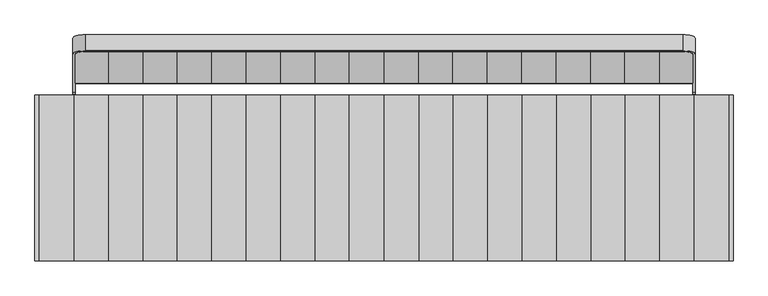
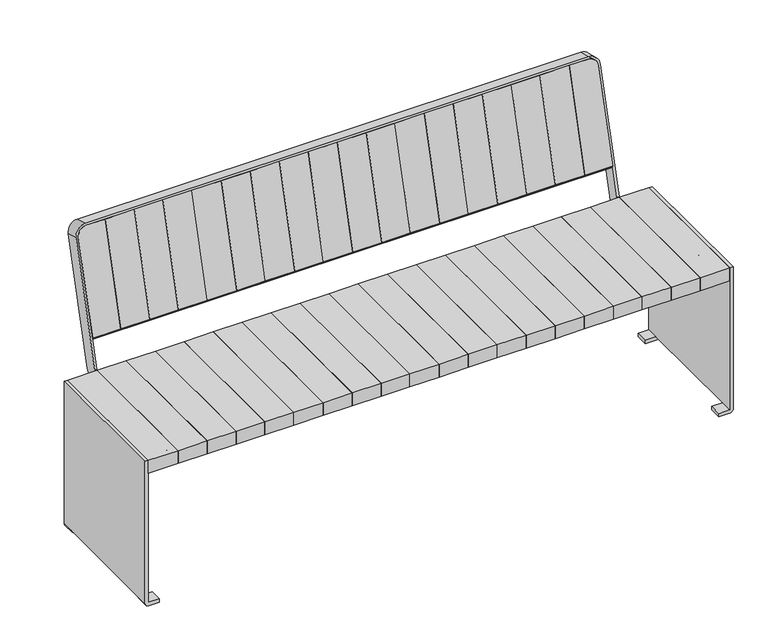
"""IFC4 building model written with IfcOpenShell, lengths in millimetres: furniture geometry."""

from ifc_helpers import new_model, si_unit, point, frame, frame_2d, origin, place, context, project, spatial, polyline, circle_curve, trimmed, segment, composite_curve, outline, extrude, source, transform, mapped, element, save
from ifc_brep_helpers import plane_surface, cylinder_surface, revolved_surface, advanced_brep


def furniture_0fb57e3a(model_context):
    return source(origin(), model_context, "Body", "SolidModel", [
        extrude(outline(polyline([(83.1700951, 200.0), (83.1700951, -200.0), (0.0, -200.0), (0.0, 200.0), (83.1700951, 200.0)])), frame((0.0, 0.0, 400.6382749), z_axis=(0.0, 0.0, 1.0), x_axis=(1.0, 0.0, 0.0)), (0.0, 0.0, 1.0), 39.120575),
        extrude(outline(polyline([(165.5884938, 200.0), (165.5884938, -200.0), (83.1700951, -200.0), (83.1700951, 200.0), (165.5884938, 200.0)])), frame((0.0, 0.0, 400.6382749), z_axis=(0.0, 0.0, 1.0), x_axis=(1.0, 0.0, 0.0)), (0.0, 0.0, 1.0), 39.120575),
        extrude(outline(polyline([(249.0266735, 200.0), (249.0266735, -200.0), (165.5884938, -200.0), (165.5884938, 200.0), (249.0266735, 200.0)])), frame((0.0, 0.0, 400.6382749), z_axis=(0.0, 0.0, 1.0), x_axis=(1.0, 0.0, 0.0)), (0.0, 0.0, 1.0), 39.120575),
        extrude(outline(polyline([(331.8102592, 200.0), (331.8102592, -200.0), (249.0266735, -200.0), (249.0266735, 200.0), (331.8102592, 200.0)])), frame((0.0, 0.0, 400.6382749), z_axis=(0.0, 0.0, 1.0), x_axis=(1.0, 0.0, 0.0)), (0.0, 0.0, 1.0), 39.120575),
        extrude(outline(polyline([(415.2051572, 200.0), (415.2051572, -200.0), (331.8102592, -200.0), (331.8102592, 200.0), (415.2051572, 200.0)])), frame((0.0, 0.0, 400.6382749), z_axis=(0.0, 0.0, 1.0), x_axis=(1.0, 0.0, 0.0)), (0.0, 0.0, 1.0), 39.120575),
        extrude(outline(polyline([(498.7851293, 200.0), (498.7851293, -200.0), (415.2051572, -200.0), (415.2051572, 200.0), (498.7851293, 200.0)])), frame((0.0, 0.0, 400.6382749), z_axis=(0.0, 0.0, 1.0), x_axis=(1.0, 0.0, 0.0)), (0.0, 0.0, 1.0), 39.120575),
        extrude(outline(polyline([(580.2051572, 200.0), (580.2051572, -200.0), (498.7851293, -200.0), (498.7851293, 200.0), (580.2051572, 200.0)])), frame((0.0, 0.0, 400.6382749), z_axis=(0.0, 0.0, 1.0), x_axis=(1.0, 0.0, 0.0)), (0.0, 0.0, 1.0), 39.120575),
        extrude(outline(polyline([(663.7851293, 200.0), (663.7851293, -200.0), (580.2051572, -200.0), (580.2051572, 200.0), (663.7851293, 200.0)])), frame((0.0, 0.0, 400.6382749), z_axis=(0.0, 0.0, 1.0), x_axis=(1.0, 0.0, 0.0)), (0.0, 0.0, 1.0), 39.120575),
        extrude(outline(polyline([(746.8041619, 200.0), (746.8041619, -200.0), (663.7851293, -200.0), (663.7851293, 200.0), (746.8041619, 200.0)])), frame((0.0, 0.0, 400.6382749), z_axis=(0.0, 0.0, 1.0), x_axis=(1.0, 0.0, 0.0)), (0.0, 0.0, 1.0), 39.120575),
        extrude(outline(polyline([(831.379425, 200.0), (831.379425, -200.0), (746.8041619, -200.0), (746.8041619, 200.0), (831.379425, 200.0)])), frame((0.0, 0.0, 400.6382749), z_axis=(0.0, 0.0, 1.0), x_axis=(1.0, 0.0, 0.0)), (0.0, 0.0, 1.0), 39.120575),
        extrude(outline(polyline([(-83.1700951, 200.0), (0.0, 200.0), (0.0, -200.0), (-83.1700951, -200.0), (-83.1700951, 200.0)])), frame((0.0, 0.0, 400.6382749), z_axis=(0.0, 0.0, 1.0), x_axis=(1.0, 0.0, 0.0)), (0.0, 0.0, 1.0), 39.120575),
        extrude(outline(polyline([(-165.5884938, 200.0), (-83.1700951, 200.0), (-83.1700951, -200.0), (-165.5884938, -200.0), (-165.5884938, 200.0)])), frame((0.0, 0.0, 400.6382749), z_axis=(0.0, 0.0, 1.0), x_axis=(1.0, 0.0, 0.0)), (0.0, 0.0, 1.0), 39.120575),
        extrude(outline(polyline([(-249.0266735, 200.0), (-165.5884938, 200.0), (-165.5884938, -200.0), (-249.0266735, -200.0), (-249.0266735, 200.0)])), frame((0.0, 0.0, 400.6382749), z_axis=(0.0, 0.0, 1.0), x_axis=(1.0, 0.0, 0.0)), (0.0, 0.0, 1.0), 39.120575),
        extrude(outline(polyline([(-331.8102592, 200.0), (-249.0266735, 200.0), (-249.0266735, -200.0), (-331.8102592, -200.0), (-331.8102592, 200.0)])), frame((0.0, 0.0, 400.6382749), z_axis=(0.0, 0.0, 1.0), x_axis=(1.0, 0.0, 0.0)), (0.0, 0.0, 1.0), 39.120575),
        extrude(outline(polyline([(-415.2051572, 200.0), (-331.8102592, 200.0), (-331.8102592, -200.0), (-415.2051572, -200.0), (-415.2051572, 200.0)])), frame((0.0, 0.0, 400.6382749), z_axis=(0.0, 0.0, 1.0), x_axis=(1.0, 0.0, 0.0)), (0.0, 0.0, 1.0), 39.120575),
        extrude(outline(polyline([(-498.7851293, 200.0), (-415.2051572, 200.0), (-415.2051572, -200.0), (-498.7851293, -200.0), (-498.7851293, 200.0)])), frame((0.0, 0.0, 400.6382749), z_axis=(0.0, 0.0, 1.0), x_axis=(1.0, 0.0, 0.0)), (0.0, 0.0, 1.0), 39.120575),
        extrude(outline(polyline([(-580.2051572, 200.0), (-498.7851293, 200.0), (-498.7851293, -200.0), (-580.2051572, -200.0), (-580.2051572, 200.0)])), frame((0.0, 0.0, 400.6382749), z_axis=(0.0, 0.0, 1.0), x_axis=(1.0, 0.0, 0.0)), (0.0, 0.0, 1.0), 39.120575),
        extrude(outline(polyline([(-663.7851293, 200.0), (-580.2051572, 200.0), (-580.2051572, -200.0), (-663.7851293, -200.0), (-663.7851293, 200.0)])), frame((0.0, 0.0, 400.6382749), z_axis=(0.0, 0.0, 1.0), x_axis=(1.0, 0.0, 0.0)), (0.0, 0.0, 1.0), 39.120575),
        extrude(outline(polyline([(-746.8041619, 200.0), (-663.7851293, 200.0), (-663.7851293, -200.0), (-746.8041619, -200.0), (-746.8041619, 200.0)])), frame((0.0, 0.0, 400.6382749), z_axis=(0.0, 0.0, 1.0), x_axis=(1.0, 0.0, 0.0)), (0.0, 0.0, 1.0), 39.120575),
        extrude(outline(polyline([(-831.379425, 200.0), (-746.8041619, 200.0), (-746.8041619, -200.0), (-831.379425, -200.0), (-831.379425, 200.0)])), frame((0.0, 0.0, 400.6382749), z_axis=(0.0, 0.0, 1.0), x_axis=(1.0, 0.0, 0.0)), (0.0, 0.0, 1.0), 39.120575),
        extrude(outline(polyline([(0.0, -83.5799721), (0.0, 0.0), (39.1205751, 0.0), (39.1205751, -83.5799721), (0.0, -83.5799721)])), frame((580.2051572, 228.7525296, 518.4817281), z_axis=(0.0, 0.2588190451025214, 0.9659258262890681), x_axis=(0.0, 0.9659258262890681, -0.2588190451025214)), (0.0, 0.0, 1.0), 296.0),
        extrude(outline(polyline([(0.0, -81.4200279), (0.0, 0.0), (39.1205751, 0.0), (39.1205751, -81.4200279), (0.0, -81.4200279)])), frame((498.7851293, 228.7525296, 518.4817281), z_axis=(0.0, 0.2588190451025194, 0.9659258262890688), x_axis=(0.0, 0.9659258262890688, -0.2588190451025194)), (0.0, 0.0, 1.0), 296.0),
        extrude(outline(polyline([(0.0, -83.5799721), (0.0, 0.0), (39.1205751, 0.0), (39.1205751, -83.5799721), (0.0, -83.5799721)])), frame((415.2051572, 228.7525296, 518.4817281), z_axis=(0.0, 0.25881904510252124, 0.9659258262890682), x_axis=(0.0, 0.9659258262890682, -0.25881904510252124)), (0.0, 0.0, 1.0), 296.0),
        extrude(outline(polyline([(0.0, -83.394898), (0.0, 0.0), (39.1205751, 0.0), (39.1205751, -83.394898), (0.0, -83.394898)])), frame((331.8102592, 228.7525296, 518.4817281), z_axis=(0.0, 0.25881904510252124, 0.9659258262890682), x_axis=(0.0, 0.9659258262890682, -0.25881904510252124)), (0.0, 0.0, 1.0), 296.0),
        extrude(outline(polyline([(0.0, -82.7835857), (0.0, 0.0), (39.1205751, 0.0), (39.1205751, -82.7835857), (0.0, -82.7835857)])), frame((249.0266735, 228.7525296, 518.4817281), z_axis=(0.0, 0.25881904510252124, 0.9659258262890682), x_axis=(0.0, 0.9659258262890682, -0.25881904510252124)), (0.0, 0.0, 1.0), 296.0),
        extrude(outline(polyline([(0.0, -83.4381797), (0.0, 0.0), (39.1205751, 0.0), (39.1205751, -83.4381797), (0.0, -83.4381797)])), frame((165.5884938, 228.7525296, 518.4817281), z_axis=(0.0, 0.25881904510252124, 0.9659258262890682), x_axis=(0.0, 0.9659258262890682, -0.25881904510252124)), (0.0, 0.0, 1.0), 296.0),
        extrude(outline(polyline([(0.0, -82.4183987), (0.0, 0.0), (39.1205751, 0.0), (39.1205751, -82.4183987), (0.0, -82.4183987)])), frame((83.1700951, 228.7525296, 518.4817281), z_axis=(0.0, 0.25881904510252124, 0.9659258262890682), x_axis=(0.0, 0.9659258262890682, -0.25881904510252124)), (0.0, 0.0, 1.0), 296.0),
        extrude(outline(polyline([(0.0, -83.1700951), (0.0, 0.0), (39.1205751, 0.0), (39.1205751, -83.1700951), (0.0, -83.1700951)])), frame((0.0, 228.7525296, 518.4817281), z_axis=(0.0, 0.25881904510252124, 0.9659258262890682), x_axis=(0.0, 0.9659258262890682, -0.25881904510252124)), (0.0, 0.0, 1.0), 296.0),
        extrude(outline(polyline([(0.0, -83.1700951), (0.0, 0.0), (39.1205751, 0.0), (39.1205751, -83.1700951), (0.0, -83.1700951)])), frame((-83.1700951, 228.7525296, 518.4817281), z_axis=(0.0, 0.2588190451025214, 0.9659258262890681), x_axis=(0.0, 0.9659258262890681, -0.2588190451025214)), (0.0, 0.0, 1.0), 296.0),
        extrude(outline(polyline([(0.0, -82.4183987), (0.0, 0.0), (39.1205751, 0.0), (39.1205751, -82.4183987), (0.0, -82.4183987)])), frame((-165.5884938, 228.7525296, 518.4817281), z_axis=(0.0, 0.2588190451025214, 0.9659258262890681), x_axis=(0.0, 0.9659258262890681, -0.2588190451025214)), (0.0, 0.0, 1.0), 296.0),
        extrude(outline(polyline([(0.0, -83.4381797), (0.0, 0.0), (39.1205751, 0.0), (39.1205751, -83.4381797), (0.0, -83.4381797)])), frame((-249.0266735, 228.7525296, 518.4817281), z_axis=(0.0, 0.2588190451025214, 0.9659258262890681), x_axis=(0.0, 0.9659258262890681, -0.2588190451025214)), (0.0, 0.0, 1.0), 296.0),
        extrude(outline(polyline([(0.0, -82.7835857), (0.0, 0.0), (39.1205751, 0.0), (39.1205751, -82.7835857), (0.0, -82.7835857)])), frame((-331.8102592, 228.7525296, 518.4817281), z_axis=(0.0, 0.2588190451025214, 0.9659258262890681), x_axis=(0.0, 0.9659258262890681, -0.2588190451025214)), (0.0, 0.0, 1.0), 296.0),
        extrude(outline(polyline([(0.0, -83.394898), (0.0, 0.0), (39.1205751, 0.0), (39.1205751, -83.394898), (0.0, -83.394898)])), frame((-415.2051572, 228.7525296, 518.4817281), z_axis=(0.0, 0.25881904510252124, 0.9659258262890682), x_axis=(0.0, 0.9659258262890682, -0.25881904510252124)), (0.0, 0.0, 1.0), 296.0),
        extrude(outline(polyline([(0.0, -83.5799721), (0.0, 0.0), (39.1205751, 0.0), (39.1205751, -83.5799721), (0.0, -83.5799721)])), frame((-498.7851293, 228.7525296, 518.4817281), z_axis=(0.0, 0.2588190451025214, 0.9659258262890681), x_axis=(0.0, 0.9659258262890681, -0.2588190451025214)), (0.0, 0.0, 1.0), 296.0),
        extrude(outline(polyline([(0.0, -81.4200279), (0.0, 0.0), (39.1205751, 0.0), (39.1205751, -81.4200279), (0.0, -81.4200279)])), frame((-580.2051572, 228.7525296, 518.4817281), z_axis=(0.0, 0.25881904510252124, 0.9659258262890682), x_axis=(0.0, 0.9659258262890682, -0.25881904510252124)), (0.0, 0.0, 1.0), 296.0),
        extrude(outline(polyline([(0.0, -83.5799721), (0.0, 0.0), (39.1205751, 0.0), (39.1205751, -83.5799721), (0.0, -83.5799721)])), frame((-663.7851293, 228.7525296, 518.4817281), z_axis=(0.0, 0.25881904510251963, 0.9659258262890686), x_axis=(0.0, 0.9659258262890686, -0.25881904510251963)), (0.0, 0.0, 1.0), 296.0),
        extrude(outline(composite_curve([segment(polyline([(-25.0, -24.9999999), (-25.0, 246.0), (55.2148, 246.0), (55.2148, -50.0), (0.0, -50.0)]), True, "CONTINUOUS"), segment(trimmed(circle_curve(frame_2d((0.0, -24.9999999)), 25.0), [point((0.0, -50.0))], [point((-25.0, -24.9999999))], False, "CARTESIAN"), True, "CONTINUOUS")], self_intersect=False)), frame((718.9999293, 330.2095885, 745.9743315), z_axis=(0.0, -0.9659258262890683, 0.2588190451025209), x_axis=(-1.0, 0.0, 0.0)), (0.0, 0.0, 1.0), 39.120575),
        extrude(outline(composite_curve([segment(trimmed(circle_curve(frame_2d((0.0, -25.0)), 25.0), [point((0.0, 0.0))], [point((25.0, -25.0))], False, "CARTESIAN"), True, "CONTINUOUS"), segment(polyline([(25.0, -25.0), (25.0, -80.2148), (-271.0, -80.2148), (-271.0, 0.0), (0.0, 0.0)]), True, "CONTINUOUS")], self_intersect=False)), frame((-743.9999293, 336.6800646, 770.1224771), z_axis=(0.0, -0.9659258262890682, 0.2588190451025209), x_axis=(0.0, 0.2588190451025209, 0.9659258262890682)), (0.0, 0.0, 1.0), 39.120575),
        extrude(outline(composite_curve([segment(polyline([(-20.0, 0.0), (0.0, 0.0)]), True, "CONTINUOUS"), segment(trimmed(circle_curve(frame_2d((0.0, -25.0)), 25.0), [point((0.0, 0.0))], [point((25.0, -25.0))], False, "CARTESIAN"), True, "CONTINUOUS"), segment(polyline([(25.0, -25.0), (25.0, -1462.9998586)]), True, "CONTINUOUS"), segment(trimmed(circle_curve(frame_2d((0.0, -1462.9998586)), 25.0), [point((25.0, -1462.9998586))], [point((0.0, -1487.9998586))], False, "CARTESIAN"), True, "CONTINUOUS"), segment(polyline([(0.0, -1487.9998586), (-20.0, -1487.9998586), (-20.0, 0.0)]), True, "CONTINUOUS")], self_intersect=False)), frame((-743.9999293, 337.5295239, 769.8948652), z_axis=(0.0, -0.9659258262890719, 0.25881904510250753), x_axis=(0.0, 0.25881904510250753, 0.9659258262890719)), (0.0, 0.0, 1.0), 3.0),
        advanced_brep(
        [(-743.9999293, 207.0117298, 437.3439587), (-743.9999293, 202.1821007, 433.6380539), (-743.9999293, -135.5529143, 433.6380539), (-743.9999293, -145.5529143, 423.6380539), (-743.9999293, -145.5529143, 411.6380539), (-743.9999293, -135.5529143, 401.6380539), (-743.9999293, 219.672234, 401.6380539), (-743.9999293, 243.8203796, 420.1675778), (-743.9999293, 337.5295239, 769.8948652), (-743.9999293, 298.8924908, 780.247627), (-749.9999293, 243.8203796, 420.1675778), (-749.9999293, 219.672234, 401.6380539), (-749.9999293, -135.5529143, 401.6380539), (-749.9999293, -145.5529143, 411.6380539), (-749.9999293, -145.5529143, 423.6380539), (-749.9999293, -135.5529143, 433.6380539), (-749.9999293, 202.1821007, 433.6380539), (-749.9999293, 207.0117298, 437.3439587), (-749.9999293, 299.1513099, 781.2135528), (-749.9999293, 337.7883429, 770.860791), (-718.9999293, 305.3629669, 804.3957727), (718.9999293, 305.3629669, 804.3957727), (743.9999293, 298.8924908, 780.247627), (743.9999293, 207.0117298, 437.3439587), (749.9999293, 207.0117298, 437.3439587), (749.9999293, 299.1513099, 781.2135528), (719.9999293, 306.9158812, 810.1913276), (-719.9999293, 306.9158812, 810.1913276), (-719.9999293, 345.5529143, 799.8385658), (719.9999293, 345.5529143, 799.8385658), (749.9999293, 337.7883429, 770.860791), (749.9999293, 243.8203796, 420.1675778), (743.9999293, 243.8203796, 420.1675778), (743.9999293, 337.5295239, 769.8948652), (718.9999293, 344.0, 794.0430109), (-718.9999293, 344.0, 794.0430109), (743.9999293, 219.672234, 401.6380539), (743.9999293, -135.5529143, 401.6380539), (743.9999293, -145.5529143, 411.6380539), (743.9999293, -145.5529143, 423.6380539), (743.9999293, -135.5529143, 433.6380539), (743.9999293, 202.1821007, 433.6380539), (749.9999293, 202.1821007, 433.6380539), (749.9999293, -135.5529143, 433.6380539), (749.9999293, -145.5529143, 423.6380539), (749.9999293, -145.5529143, 411.6380539), (749.9999293, -135.5529143, 401.6380539), (749.9999293, 219.672234, 401.6380539)],
        [
            (0, 1, circle_curve(frame((-743.9999293, 202.1821007, 438.6380539), z_axis=(-1.0, 0.0, 0.0), x_axis=(0.0, 0.0, -1.0)), 5.0)),
            (1, 2),
            (2, 3, circle_curve(frame((-743.9999293, -135.5529143, 423.6380539), z_axis=(1.0, 0.0, 0.0), x_axis=(0.0, -1.0, 0.0)), 10.0)),
            (3, 4),
            (4, 5, circle_curve(frame((-743.9999293, -135.5529143, 411.6380539), z_axis=(1.0, 0.0, 0.0), x_axis=(0.0, -1.0, 0.0)), 10.0)),
            (5, 6),
            (6, 7, circle_curve(frame((-743.9999293, 219.672234, 426.6380539), z_axis=(1.0, 0.0, 0.0), x_axis=(0.0, 0.0, -1.0)), 25.0)),
            (7, 8),
            (8, 9),
            (9, 0),
            (10, 11, circle_curve(frame((-749.9999293, 219.672234, 426.6380539), z_axis=(-1.0, 0.0, 0.0), x_axis=(0.0, 0.0, -1.0)), 25.0)),
            (11, 12),
            (12, 13, circle_curve(frame((-749.9999293, -135.5529143, 411.6380539), z_axis=(-1.0, 0.0, 0.0), x_axis=(0.0, -1.0, 0.0)), 10.0)),
            (13, 14),
            (14, 15, circle_curve(frame((-749.9999293, -135.5529143, 423.6380539), z_axis=(-1.0, 0.0, 0.0), x_axis=(0.0, -1.0, 0.0)), 10.0)),
            (15, 16),
            (16, 17, circle_curve(frame((-749.9999293, 202.1821007, 438.6380539), z_axis=(1.0, 0.0, 0.0), x_axis=(0.0, 0.0, -1.0)), 5.0)),
            (17, 18),
            (18, 19),
            (19, 10),
            (17, 0),
            (9, 20, circle_curve(frame((-718.9999293, 298.8924908, 780.247627), z_axis=(0.0, 0.9659258262890719, -0.25881904510250753), x_axis=(0.0, -0.25881904510250753, -0.9659258262890719)), 25.0)),
            (20, 21),
            (21, 22, circle_curve(frame((718.9999293, 298.8924908, 780.247627), z_axis=(0.0, 0.9659258262890719, -0.25881904510250753), x_axis=(0.0, -0.25881904510250753, -0.9659258262890719)), 25.0)),
            (22, 23),
            (23, 24),
            (24, 25),
            (25, 26, circle_curve(frame((719.9999293, 299.1513099, 781.2135528), z_axis=(0.0, -0.9659258262890719, 0.25881904510250753), x_axis=(0.0, -0.25881904510250753, -0.9659258262890719)), 30.0)),
            (26, 27),
            (27, 18, circle_curve(frame((-719.9999293, 299.1513099, 781.2135528), z_axis=(0.0, -0.9659258262890719, 0.25881904510250753), x_axis=(0.0, -0.25881904510250753, -0.9659258262890719)), 30.0)),
            (16, 1),
            (6, 11),
            (10, 7),
            (19, 28, circle_curve(frame((-719.9999293, 337.7883429, 770.860791), z_axis=(0.0, 0.9659258262890719, -0.25881904510250753), x_axis=(0.0, -0.25881904510250753, -0.9659258262890719)), 30.0)),
            (28, 29),
            (29, 30, circle_curve(frame((719.9999293, 337.7883429, 770.860791), z_axis=(0.0, 0.9659258262890719, -0.25881904510250753), x_axis=(0.0, -0.25881904510250753, -0.9659258262890719)), 30.0)),
            (30, 31),
            (31, 32),
            (32, 33),
            (33, 34, circle_curve(frame((718.9999293, 337.5295239, 769.8948652), z_axis=(0.0, -0.9659258262890719, 0.25881904510250753), x_axis=(0.0, -0.25881904510250753, -0.9659258262890719)), 25.0)),
            (34, 35),
            (35, 8, circle_curve(frame((-718.9999293, 337.5295239, 769.8948652), z_axis=(0.0, -0.9659258262890719, 0.25881904510250753), x_axis=(0.0, -0.25881904510250753, -0.9659258262890719)), 25.0)),
            (15, 2),
            (14, 3),
            (13, 4),
            (12, 5),
            (27, 28),
            (26, 29),
            (20, 35),
            (34, 21),
            (25, 30),
            (33, 22),
            (32, 36, circle_curve(frame((743.9999293, 219.672234, 426.6380539), z_axis=(-1.0, 0.0, 0.0), x_axis=(0.0, 0.0, -1.0)), 25.0)),
            (36, 37),
            (37, 38, circle_curve(frame((743.9999293, -135.5529143, 411.6380539), z_axis=(-1.0, 0.0, 0.0), x_axis=(0.0, -1.0, 0.0)), 10.0)),
            (38, 39),
            (39, 40, circle_curve(frame((743.9999293, -135.5529143, 423.6380539), z_axis=(-1.0, 0.0, 0.0), x_axis=(0.0, -1.0, 0.0)), 10.0)),
            (40, 41),
            (41, 23, circle_curve(frame((743.9999293, 202.1821007, 438.6380539), z_axis=(1.0, 0.0, 0.0), x_axis=(0.0, 0.0, -1.0)), 5.0)),
            (24, 42, circle_curve(frame((749.9999293, 202.1821007, 438.6380539), z_axis=(-1.0, 0.0, 0.0), x_axis=(0.0, 0.0, -1.0)), 5.0)),
            (42, 43),
            (43, 44, circle_curve(frame((749.9999293, -135.5529143, 423.6380539), z_axis=(1.0, 0.0, 0.0), x_axis=(0.0, -1.0, 0.0)), 10.0)),
            (44, 45),
            (45, 46, circle_curve(frame((749.9999293, -135.5529143, 411.6380539), z_axis=(1.0, 0.0, 0.0), x_axis=(0.0, -1.0, 0.0)), 10.0)),
            (46, 47),
            (47, 31, circle_curve(frame((749.9999293, 219.672234, 426.6380539), z_axis=(1.0, 0.0, 0.0), x_axis=(0.0, 0.0, -1.0)), 25.0)),
            (41, 42),
            (47, 36),
            (40, 43),
            (39, 44),
            (38, 45),
            (37, 46),
        ],
        [
            plane_surface(frame((-743.9999293, 286.7279957, 734.8491132), z_axis=(1.0, 0.0, 0.0), x_axis=(0.0, -0.25881904510249437, -0.9659258262890754))),
            plane_surface(frame((-749.9999293, 286.7279957, 734.8491132), z_axis=(-1.0, 0.0, 0.0), x_axis=(0.0, 0.25881904510249437, 0.9659258262890754))),
            plane_surface(frame((-743.9999293, 286.7279957, 734.8491132), z_axis=(0.0, -0.9659258262890754, 0.25881904510249437), x_axis=(-1.0, 0.0, 0.0))),
            revolved_surface(polyline([(-749.9999293, 202.1821007, 433.6380539), (-743.9999293, 202.1821007, 433.6380539)]), (-749.9999293, 202.1821007, 438.6380539), (-1.0, 0.0, 0.0)),
            cylinder_surface(frame((-749.9999293, 219.672234, 426.6380539), z_axis=(1.0, 0.0, 0.0), x_axis=(0.0, 0.0, -1.0)), 25.0),
            plane_surface(frame((-743.9999293, 243.8203796, 420.1675778), z_axis=(0.0, 0.9659258262890719, -0.2588190451025076), x_axis=(-1.0, 0.0, 0.0))),
            plane_surface(frame((-743.9999293, 202.1821007, 433.6380539), z_axis=(0.0, 0.0, 1.0), x_axis=(-1.0, 0.0, 0.0))),
            cylinder_surface(frame((-749.9999293, -135.5529143, 423.6380539), z_axis=(1.0, 0.0, 0.0), x_axis=(0.0, -1.0, 0.0)), 10.0),
            plane_surface(frame((-743.9999293, -145.5529143, 423.6380539), z_axis=(0.0, -1.0, 0.0), x_axis=(-1.0, 0.0, 0.0))),
            cylinder_surface(frame((-749.9999293, -135.5529143, 411.6380539), z_axis=(1.0, 0.0, 0.0), x_axis=(0.0, -1.0, 0.0)), 10.0),
            plane_surface(frame((-743.9999293, -135.5529143, 401.6380539), z_axis=(0.0, 0.0, -1.0), x_axis=(-1.0, 0.0, 0.0))),
            cylinder_surface(frame((-719.9999293, 299.1513099, 781.2135528), z_axis=(0.0, 0.9659258262890719, -0.25881904510250753), x_axis=(0.0, -0.25881904510250753, -0.9659258262890719)), 30.0),
            plane_surface(frame((-719.9999293, 345.5529143, 799.8385658), z_axis=(0.0, 0.25881904510250764, 0.9659258262890719), x_axis=(0.0, -0.9659258262890719, 0.25881904510250764))),
            plane_surface(frame((0.0, 344.0, 794.0430109), z_axis=(0.0, -0.2588190451025072, -0.965925826289072), x_axis=(0.0, -0.965925826289072, 0.2588190451025072))),
            revolved_surface(polyline([(-718.9999293, 292.4220146360277, 756.0994813525291), (-718.9999293, 331.0590477681676, 745.7467195268383)]), (-718.9999293, 298.8924908, 780.247627), (0.0, -0.9659258262890719, 0.25881904510250753)),
            cylinder_surface(frame((719.9999293, 299.1513099, 781.2135528), z_axis=(0.0, 0.9659258262890719, -0.25881904510250753), x_axis=(0.0, -0.25881904510250753, -0.9659258262890719)), 30.0),
            revolved_surface(polyline([(718.9999293, 292.4220146360277, 756.0994813525291), (718.9999293, 331.0590477681676, 745.7467195268383)]), (718.9999293, 298.8924908, 780.247627), (0.0, -0.9659258262890719, 0.25881904510250753)),
            plane_surface(frame((743.9999293, 325.3650288, 724.4963514), z_axis=(-1.0, 0.0, 0.0), x_axis=(0.0, -0.965925826289072, 0.2588190451025072))),
            plane_surface(frame((749.9999293, 337.7883429, 770.860791), z_axis=(1.0, 0.0, 0.0), x_axis=(0.0, -0.965925826289072, 0.2588190451025072))),
            revolved_surface(polyline([(749.9999293, 202.1821007, 433.6380539), (743.9999293, 202.1821007, 433.6380539)]), (749.9999293, 202.1821007, 438.6380539), (1.0, 0.0, 0.0)),
            cylinder_surface(frame((749.9999293, 219.672234, 426.6380539), z_axis=(-1.0, 0.0, 0.0), x_axis=(0.0, 0.0, -1.0)), 25.0),
            plane_surface(frame((743.9999293, -135.5529143, 433.6380539), z_axis=(0.0, 0.0, 1.0), x_axis=(1.0, 0.0, 0.0))),
            cylinder_surface(frame((749.9999293, -135.5529143, 423.6380539), z_axis=(-1.0, 0.0, 0.0), x_axis=(0.0, -1.0, 0.0)), 10.0),
            plane_surface(frame((743.9999293, -145.5529143, 411.6380539), z_axis=(0.0, -1.0, 0.0), x_axis=(1.0, 0.0, 0.0))),
            cylinder_surface(frame((749.9999293, -135.5529143, 411.6380539), z_axis=(-1.0, 0.0, 0.0), x_axis=(0.0, -1.0, 0.0)), 10.0),
            plane_surface(frame((743.9999293, 219.672234, 401.6380539), z_axis=(0.0, 0.0, -1.0), x_axis=(1.0, 0.0, 0.0))),
        ],
        [
            (0, [[1, 2, 3, 4, 5, 6, 7, 8, 9, 10]]),
            (1, [[11, 12, 13, 14, 15, 16, 17, 18, 19, 20]]),
            (2, [[21, -10, 22, 23, 24, 25, 26, 27, 28, 29, 30, -18]]),
            (3, [[-1, -21, -17, 31]]),
            (4, [[-7, 32, -11, 33]]),
            (5, [[-33, -20, 34, 35, 36, 37, 38, 39, 40, 41, 42, -8]]),
            (6, [[-2, -31, -16, 43]]),
            (7, [[-3, -43, -15, 44]]),
            (8, [[-4, -44, -14, 45]]),
            (9, [[-5, -45, -13, 46]]),
            (10, [[-6, -46, -12, -32]]),
            (11, [[-34, -19, -30, 47]]),
            (12, [[-47, -29, 48, -35]]),
            (13, [[49, -41, 50, -23]]),
            (14, [[-42, -49, -22, -9]]),
            (15, [[-36, -48, -28, 51]]),
            (16, [[-40, 52, -24, -50]]),
            (17, [[-39, 53, 54, 55, 56, 57, 58, 59, -25, -52]]),
            (18, [[-37, -51, -27, 60, 61, 62, 63, 64, 65, 66]]),
            (19, [[-59, 67, -60, -26]]),
            (20, [[-53, -38, -66, 68]]),
            (21, [[-58, 69, -61, -67]]),
            (22, [[-57, 70, -62, -69]]),
            (23, [[-56, 71, -63, -70]]),
            (24, [[-55, 72, -64, -71]]),
            (25, [[-54, -68, -65, -72]]),
        ],
    ),
        extrude(outline(composite_curve([segment(polyline([(262.7952755, 506.2541733), (227.9760725, 515.5839506), (228.7525296, 518.4817281), (263.5527745, 509.1570306)]), True, "CONTINUOUS"), segment(trimmed(circle_curve(frame_2d((263.8043817, 510.0960412)), 0.9721354), [point((263.5527745, 509.1570306))], [point((264.7433923, 509.8444341))], True, "CARTESIAN"), True, "CONTINUOUS"), segment(polyline([(264.7433923, 509.8444341), (275.3621851, 549.4743081), (278.2599625, 548.697851), (267.63609, 509.0490188)]), True, "CONTINUOUS"), segment(trimmed(circle_curve(frame_2d((263.8182599, 510.0720033)), 3.9525085), [point((267.63609, 509.0490188))], [point((262.7952755, 506.2541733))], False, "CARTESIAN"), True, "CONTINUOUS")], self_intersect=False)), frame((-743.9999293, 0.0, 0.0), z_axis=(1.0, 0.0, 0.0), x_axis=(0.0, 1.0, 0.0)), (0.0, 0.0, 1.0), 1488.0),
        advanced_brep(
        [(-438.9493478, 55.5135142, 364.1867082), (-438.9493478, 60.5135142, 364.1867082), (-473.9493478, 60.513034, 364.1867082), (-473.9493478, 55.5135142, 364.1867082), (438.9493478, 55.5135142, 364.1867082), (438.9493478, 60.5135142, 364.1867082), (473.9493478, 60.513034, 364.1867082), (473.9493478, 55.5135142, 364.1867082), (826.379425, 60.513034, 394.6382749), (826.379425, 61.513034, 395.6382749), (826.379425, 62.4997599, 395.6382749), (826.379425, 62.4997599, 400.6382749), (826.379425, 61.513034, 400.6382749), (826.379425, 55.513034, 394.6382749), (826.379425, 55.513034, 393.1147491), (826.379425, 60.513034, 393.1147491), (-826.379425, 55.513034, 394.6382749), (-826.379425, 61.513034, 400.6382749), (-826.379425, 62.4997599, 400.6382749), (-826.379425, 62.4997599, 395.6382749), (-826.379425, 61.513034, 395.6382749), (-826.379425, 60.513034, 394.6382749), (-826.379425, 60.513034, 393.1147491), (-826.379425, 55.513034, 393.1147491), (826.379425, 55.513034, 340.151549), (-826.379425, 55.513034, 340.151549), (-826.379425, 60.513034, 340.151549), (826.379425, 60.513034, 340.151549), (831.379425, 62.4997599, 400.6382749), (831.379425, 99.9997599, 400.6382749), (-831.379425, 99.9997599, 400.6382749), (-831.379425, 62.4997599, 400.6382749), (-826.379425, 99.9997599, 395.6382749), (826.379425, 99.9997599, 395.6382749), (-826.379425, 62.4997599, 393.1147491), (-826.379425, -55.513034, 393.1147491), (-826.379425, -55.513034, 340.151549), (-826.379425, -60.513034, 340.151549), (-826.379425, -60.513034, 393.1147491), (-826.379425, -62.4997599, 393.1147491), (-826.379425, -62.4997599, 395.6382749), (-826.379425, -99.9997599, 395.6382749), (-826.379425, -99.9997599, 347.7588499), (-826.379425, 100.0002401, 347.7588499), (-831.379425, 100.0002401, 347.7588499), (-831.379425, -99.9997599, 347.7588499), (-831.379425, -99.9997599, 400.6382749), (-831.379425, -62.4997599, 400.6382749), (-831.379425, -62.4997599, 393.1147491), (-831.379425, 62.4997599, 393.1147491), (831.379425, 100.0002401, 347.7588499), (826.379425, 100.0002401, 347.7588499), (826.379425, -99.9997599, 395.6382749), (826.379425, -99.9997599, 347.7588499), (831.379425, -99.9997599, 347.7588499), (831.379425, -99.9997599, 400.6382749), (-826.379425, -62.4997599, 400.6382749), (831.379425, -62.4997599, 400.6382749), (831.379425, -62.4997599, 393.1147491), (826.379425, -62.4997599, 393.1147491), (826.379425, -62.4997599, 395.6382749), (826.379425, -62.4997599, 400.6382749), (826.379425, -61.513034, 400.6382749), (-826.379425, -61.513034, 400.6382749), (-826.379425, -61.513034, 395.6382749), (826.379425, -61.513034, 395.6382749), (826.379425, -60.513034, 393.1147491), (826.379425, -60.513034, 340.151549), (826.379425, -55.513034, 340.151549), (826.379425, -55.513034, 393.1147491), (826.379425, 62.4997599, 393.1147491), (831.379425, 62.4997599, 393.1147491), (826.379425, -55.513034, 394.6382749), (826.379425, -60.513034, 394.6382749), (-826.379425, -60.513034, 394.6382749), (-826.379425, -55.513034, 394.6382749)],
        [
            (0, 1),
            (1, 2, circle_curve(frame((-456.4493478, 60.513034, 364.1867082), z_axis=(0.0, 1.0, 0.0), x_axis=(1.0, 0.0, 0.0)), 17.5)),
            (2, 3),
            (3, 0, circle_curve(frame((-456.4493478, 55.513034, 364.1867082), z_axis=(0.0, -1.0, 0.0), x_axis=(1.0, 0.0, 0.0)), 17.5)),
            (0, 3, circle_curve(frame((-456.4493478, 55.513034, 364.1867082), z_axis=(0.0, -1.0, 0.0), x_axis=(1.0, 0.0, 0.0)), 17.5)),
            (2, 1, circle_curve(frame((-456.4493478, 60.513034, 364.1867082), z_axis=(0.0, 1.0, 0.0), x_axis=(1.0, 0.0, 0.0)), 17.5)),
            (4, 5),
            (5, 6, circle_curve(frame((456.4493478, 60.513034, 364.1867082), z_axis=(0.0, 1.0, 0.0), x_axis=(-1.0, 0.0, 0.0)), 17.5)),
            (6, 7),
            (7, 4, circle_curve(frame((456.4493478, 55.513034, 364.1867082), z_axis=(0.0, -1.0, 0.0), x_axis=(-1.0, 0.0, 0.0)), 17.5)),
            (4, 7, circle_curve(frame((456.4493478, 55.513034, 364.1867082), z_axis=(0.0, -1.0, 0.0), x_axis=(-1.0, 0.0, 0.0)), 17.5)),
            (6, 5, circle_curve(frame((456.4493478, 60.513034, 364.1867082), z_axis=(0.0, 1.0, 0.0), x_axis=(-1.0, 0.0, 0.0)), 17.5)),
            (8, 9, circle_curve(frame((826.379425, 61.513034, 394.6382749), z_axis=(-1.0, 0.0, 0.0), x_axis=(0.0, 1.0, 0.0)), 1.0)),
            (9, 10),
            (10, 11),
            (11, 12),
            (12, 13, circle_curve(frame((826.379425, 61.513034, 394.6382749), z_axis=(1.0, 0.0, 0.0), x_axis=(0.0, 1.0, 0.0)), 6.0)),
            (13, 14),
            (14, 15),
            (15, 8),
            (16, 17, circle_curve(frame((-826.379425, 61.513034, 394.6382749), z_axis=(-1.0, 0.0, 0.0), x_axis=(0.0, 1.0, 0.0)), 6.0)),
            (17, 18),
            (18, 19),
            (19, 20),
            (20, 21, circle_curve(frame((-826.379425, 61.513034, 394.6382749), z_axis=(1.0, 0.0, 0.0), x_axis=(0.0, 1.0, 0.0)), 1.0)),
            (21, 22),
            (22, 23),
            (23, 16),
            (24, 25),
            (25, 26),
            (26, 27),
            (27, 24),
            (24, 14),
            (13, 16),
            (23, 25),
            (12, 17),
            (11, 28),
            (28, 29),
            (29, 30),
            (30, 31),
            (31, 18),
            (9, 20),
            (19, 32),
            (32, 33),
            (33, 10),
            (8, 21),
            (26, 22),
            (15, 27),
            (19, 34),
            (34, 22),
            (23, 35),
            (35, 36),
            (36, 37),
            (37, 38),
            (38, 39),
            (39, 40),
            (40, 41),
            (41, 42),
            (42, 43, circle_curve(frame((-826.379425, 0.0002401, 421.080061), z_axis=(1.0, 0.0, 0.0), x_axis=(0.0, -0.8064516129032312, -0.5913000896717141)), 124.0)),
            (43, 32),
            (44, 45, circle_curve(frame((-831.379425, 0.0002401, 421.080061), z_axis=(-1.0, 0.0, 0.0), x_axis=(0.0, -0.8064516129032312, -0.5913000896717141)), 124.0)),
            (45, 46),
            (46, 47),
            (47, 48),
            (48, 49),
            (49, 31),
            (30, 44),
            (43, 44),
            (29, 50),
            (50, 51),
            (51, 33),
            (34, 49),
            (48, 39),
            (38, 35),
            (45, 42),
            (41, 52),
            (52, 53),
            (53, 54),
            (54, 55),
            (55, 46),
            (47, 56),
            (56, 40),
            (57, 58),
            (58, 59),
            (59, 60),
            (60, 61),
            (61, 57),
            (55, 57),
            (61, 62),
            (62, 63),
            (63, 56),
            (40, 64),
            (64, 65),
            (65, 60),
            (60, 52),
            (59, 66),
            (66, 67),
            (67, 68),
            (68, 69),
            (69, 14),
            (15, 70),
            (70, 10),
            (51, 53, circle_curve(frame((826.379425, 0.0002401, 421.080061), z_axis=(-1.0, 0.0, 0.0), x_axis=(0.0, -0.8064516129032312, -0.5913000896717141)), 124.0)),
            (54, 50, circle_curve(frame((831.379425, 0.0002401, 421.080061), z_axis=(1.0, 0.0, 0.0), x_axis=(0.0, -0.8064516129032312, -0.5913000896717141)), 124.0)),
            (28, 71),
            (71, 58),
            (72, 62, circle_curve(frame((826.379425, -61.513034, 394.6382749), z_axis=(1.0, 0.0, 0.0), x_axis=(0.0, -1.0, 0.0)), 6.0)),
            (65, 73, circle_curve(frame((826.379425, -61.513034, 394.6382749), z_axis=(-1.0, 0.0, 0.0), x_axis=(0.0, -1.0, 0.0)), 1.0)),
            (73, 66),
            (66, 69),
            (69, 72),
            (74, 64, circle_curve(frame((-826.379425, -61.513034, 394.6382749), z_axis=(1.0, 0.0, 0.0), x_axis=(0.0, -1.0, 0.0)), 1.0)),
            (63, 75, circle_curve(frame((-826.379425, -61.513034, 394.6382749), z_axis=(-1.0, 0.0, 0.0), x_axis=(0.0, -1.0, 0.0)), 6.0)),
            (75, 35),
            (38, 74),
            (67, 37),
            (36, 68),
            (75, 72),
            (74, 73),
            (71, 70),
        ],
        [
            revolved_surface(polyline([(-438.9493478, 55.513034, 364.1867082), (-438.9493478, 60.5135142, 364.1867082)]), (-456.4493478, 60.5135142, 364.1867082), (0.0, -1.0, 0.0)),
            revolved_surface(polyline([(438.9493478, 55.513034, 364.1867082), (438.9493478, 60.5135142, 364.1867082)]), (456.4493478, 0.0, 364.1867082), (0.0, -1.0, 0.0)),
            plane_surface(frame((826.379425, 60.513034, 394.6382749), z_axis=(1.0, 0.0, 0.0), x_axis=(0.0, 0.0, 1.0))),
            plane_surface(frame((-826.379425, 60.513034, 394.6382749), z_axis=(-1.0, 0.0, 0.0), x_axis=(0.0, 0.0, -1.0))),
            plane_surface(frame((826.379425, 55.513034, 340.151549), z_axis=(0.0, 0.0, -1.0), x_axis=(-1.0, 0.0, 0.0))),
            plane_surface(frame((826.379425, 55.513034, 394.6382749), z_axis=(0.0, -1.0, 0.0), x_axis=(-1.0, 0.0, 0.0))),
            cylinder_surface(frame((-826.379425, 61.513034, 394.6382749), z_axis=(1.0, 0.0, 0.0), x_axis=(0.0, 1.0, 0.0)), 6.0),
            plane_surface(frame((826.379425, 62.4997599, 400.6382749), z_axis=(0.0, 0.0, 1.0), x_axis=(-1.0, 0.0, 0.0))),
            plane_surface(frame((826.379425, 61.513034, 395.6382749), z_axis=(0.0, 0.0, -1.0), x_axis=(-1.0, 0.0, 0.0))),
            revolved_surface(polyline([(-826.379425, 62.513034, 394.6382749), (826.379425, 62.513034, 394.6382749)]), (-826.379425, 61.513034, 394.6382749), (-1.0, 0.0, 0.0)),
            plane_surface(frame((826.379425, 60.513034, 340.151549), z_axis=(0.0, 1.0, 0.0), x_axis=(-1.0, 0.0, 0.0))),
            plane_surface(frame((-826.379425, 100.0002401, 347.7588499), z_axis=(1.0, 0.0, 0.0), x_axis=(0.0, 0.0, 1.0))),
            plane_surface(frame((-831.379425, 100.0002401, 347.7588499), z_axis=(-1.0, 0.0, 0.0), x_axis=(0.0, 0.0, -1.0))),
            plane_surface(frame((-826.379425, 100.0002401, 347.7588499), z_axis=(0.0, 1.0, 0.0), x_axis=(-1.0, 0.0, 0.0))),
            plane_surface(frame((-826.379425, 100.0002401, 393.1147491), z_axis=(0.0, 0.0, 1.0), x_axis=(-1.0, 0.0, 0.0))),
            plane_surface(frame((-826.379425, -99.9997599, 393.1147491), z_axis=(0.0, -1.0, 0.0), x_axis=(-1.0, 0.0, 0.0))),
            cylinder_surface(frame((-831.379425, 0.0002401, 421.080061), z_axis=(1.0000000000000002, 0.0, 0.0), x_axis=(0.0, -0.8064516129032312, -0.5913000896717141)), 124.0),
            plane_surface(frame((826.379425, -62.4997599, 393.1147491), z_axis=(0.0, 1.0, 0.0), x_axis=(0.0, 0.0, 1.0))),
            plane_surface(frame((831.379425, -99.9997599, 400.6382749), z_axis=(0.0, 0.0, 1.0), x_axis=(0.0, 1.0, 0.0))),
            plane_surface(frame((-826.379425, -99.9997599, 395.6382749), z_axis=(0.0, 0.0, -1.0), x_axis=(0.0, 1.0, 0.0))),
            plane_surface(frame((826.379425, -99.9997599, 395.6382749), z_axis=(-1.0, 0.0, 0.0), x_axis=(0.0, 1.0, 0.0))),
            plane_surface(frame((831.379425, -99.9997599, 393.1147491), z_axis=(1.0, 0.0, 0.0), x_axis=(0.0, 1.0, 0.0))),
            plane_surface(frame((826.379425, -60.513034, 340.151549), z_axis=(1.0, 0.0, 0.0), x_axis=(0.0, 1.0, 0.0))),
            plane_surface(frame((-826.379425, -60.513034, 340.151549), z_axis=(-1.0, 0.0, 0.0), x_axis=(0.0, -1.0, 0.0))),
            plane_surface(frame((826.379425, -60.513034, 340.151549), z_axis=(0.0, 0.0, -1.0), x_axis=(-1.0, 0.0, 0.0))),
            plane_surface(frame((826.379425, -55.513034, 340.151549), z_axis=(0.0, 1.0, 0.0), x_axis=(-1.0, 0.0, 0.0))),
            cylinder_surface(frame((-826.379425, -61.513034, 394.6382749), z_axis=(1.0, 0.0, 0.0), x_axis=(0.0, -1.0, 0.0)), 6.0),
            revolved_surface(polyline([(-826.379425, -62.513034, 394.6382749), (826.379425, -62.513034, 394.6382749)]), (-826.379425, -61.513034, 394.6382749), (-1.0, 0.0, 0.0)),
            plane_surface(frame((826.379425, -60.513034, 394.6382749), z_axis=(0.0, -1.0, 0.0), x_axis=(-1.0, 0.0, 0.0))),
            plane_surface(frame((826.379425, -99.9997599, 393.1147491), z_axis=(0.0, 0.0, 1.0), x_axis=(1.0, 0.0, 0.0))),
            cylinder_surface(frame((831.379425, 0.0002401, 421.080061), z_axis=(-1.0000000000000002, 0.0, 0.0), x_axis=(0.0, -0.8064516129032312, -0.5913000896717141)), 124.0),
            plane_surface(frame((-825.879425, 62.4997599, 395.6382749), z_axis=(0.0, -1.0, 0.0), x_axis=(1.0, 0.0, 0.0))),
        ],
        [
            (0, [[1, 2, 3, 4]]),
            (0, [[-1, 5, -3, 6]]),
            (1, [[7, 8, 9, 10]]),
            (1, [[-7, 11, -9, 12]]),
            (2, [[13, 14, 15, 16, 17, 18, 19, 20]]),
            (3, [[21, 22, 23, 24, 25, 26, 27, 28]]),
            (4, [[29, 30, 31, 32]]),
            (5, [[-29, 33, -18, 34, -28, 35], [-4, -5], [-10, -11]]),
            (6, [[-17, 36, -21, -34]]),
            (7, [[-16, 37, 38, 39, 40, 41, -22, -36]]),
            (8, [[-14, 42, -24, 43, 44, 45]]),
            (9, [[-13, 46, -25, -42]]),
            (10, [[-31, 47, -26, -46, -20, 48], [-2, -6], [-8, -12]]),
            (11, [[-43, 49, 50, -47, -30, -35, 51, 52, 53, 54, 55, 56, 57, 58, 59, 60]]),
            (12, [[61, 62, 63, 64, 65, 66, -40, 67]]),
            (13, [[-60, 68, -67, -39, 69, 70, 71, -44]]),
            (14, [[-27, -50, 72, -65, 73, -55, 74, -51]]),
            (15, [[75, -58, 76, 77, 78, 79, 80, -62]]),
            (16, [[-59, -75, -61, -68]]),
            (17, [[-56, -73, -64, 81, 82]]),
            (17, [[83, 84, 85, 86, 87]]),
            (18, [[-80, 88, -87, 89, 90, 91, -81, -63]]),
            (19, [[-76, -57, 92, 93, 94, 95]]),
            (20, [[-85, 96, 97, 98, 99, 100, -33, -32, -48, 101, 102, -45, -71, 103, -77, -95]]),
            (21, [[-83, -88, -79, 104, -69, -38, 105, 106]]),
            (22, [[107, -89, -86, -94, 108, 109, 110, 111]]),
            (23, [[112, -92, -82, -91, 113, 114, -74, 115]]),
            (24, [[116, -53, 117, -98]]),
            (25, [[-117, -52, -114, 118, -111, -99]]),
            (26, [[-107, -118, -113, -90]]),
            (27, [[-108, -93, -112, 119]]),
            (28, [[-116, -97, -109, -119, -115, -54]]),
            (29, [[-100, -110, -96, -84, -106, 120, -101, -19]]),
            (30, [[-103, -70, -104, -78]]),
            (31, [[-66, -72, -49, -23, -41]]),
            (31, [[-102, -120, -105, -37, -15]]),
        ],
    ),
        advanced_brep(
        [(831.379425, -200.0, 10.0), (831.379425, -200.0, 439.7588499), (831.379425, 200.0, 439.7588499), (831.379425, 200.0, 10.0), (831.379425, 164.9997913, 10.0), (831.379425, -164.9997913, 10.0), (841.379425, 200.0, 10.0), (841.379425, 200.0, 439.7588499), (841.379425, -200.0, 439.7588499), (841.379425, -200.0, 10.0), (841.379425, -164.9997913, 10.0), (841.379425, 164.9997913, 10.0), (830.379425, 200.0, 0.0), (800.620575, 200.0, 0.0), (800.620575, 200.0, 10.0), (800.620575, -200.0, 10.0), (800.620575, -200.0, 0.0), (830.379425, -200.0, 0.0), (800.620575, 164.9997913, 10.0), (800.620575, 164.9997913, 0.0), (830.379425, 164.9997913, 0.0), (830.379425, -164.9997913, 0.0), (800.620575, -164.9997913, 0.0), (800.620575, -164.9997913, 10.0)],
        [
            (0, 1),
            (1, 2),
            (2, 3),
            (3, 4),
            (4, 5),
            (5, 0),
            (6, 7),
            (7, 8),
            (8, 9),
            (9, 10),
            (10, 11),
            (11, 6),
            (2, 7),
            (6, 12, circle_curve(frame((831.3339704, 200.0, 10.0), z_axis=(0.0, 1.0, 0.0), x_axis=(1.0, 0.0, 0.0)), 10.0454545)),
            (12, 13),
            (13, 14),
            (14, 3),
            (1, 8),
            (0, 15),
            (15, 16),
            (16, 17),
            (17, 9, circle_curve(frame((831.3339704, -200.0, 10.0), z_axis=(0.0, -1.0, 0.0), x_axis=(1.0, 0.0, 0.0)), 10.0454545)),
            (4, 11),
            (10, 5),
            (4, 18),
            (18, 19),
            (19, 20),
            (20, 11, circle_curve(frame((831.3339704, 164.9997913, 10.0), z_axis=(0.0, -1.0, 0.0), x_axis=(1.0, 0.0, 0.0)), 10.0454545)),
            (14, 18),
            (13, 19),
            (12, 20),
            (10, 21, circle_curve(frame((831.3339704, -164.9997913, 10.0), z_axis=(0.0, 1.0, 0.0), x_axis=(1.0, 0.0, 0.0)), 10.0454545)),
            (21, 22),
            (22, 23),
            (23, 5),
            (23, 15),
            (22, 16),
            (21, 17),
        ],
        [
            plane_surface(frame((831.379425, 200.0, 10.0), z_axis=(-1.0, 0.0, 0.0), x_axis=(0.0, -1.0, 0.0))),
            plane_surface(frame((841.379425, 200.0, 10.0), z_axis=(1.0, 0.0, 0.0), x_axis=(0.0, 1.0, 0.0))),
            plane_surface(frame((831.379425, 200.0, 439.7588499), z_axis=(0.0, 1.0, 0.0), x_axis=(1.0, 0.0, 0.0))),
            plane_surface(frame((831.379425, -200.0, 439.7588499), z_axis=(0.0, 0.0, 1.0), x_axis=(1.0, 0.0, 0.0))),
            plane_surface(frame((831.379425, -200.0, 10.0), z_axis=(0.0, -1.0, 0.0), x_axis=(1.0, 0.0, 0.0))),
            plane_surface(frame((831.379425, 200.0, 10.0), z_axis=(0.0, 0.0, -1.0), x_axis=(1.0, 0.0, 0.0))),
            plane_surface(frame((831.379425, 164.9997913, 10.0), z_axis=(0.0, -1.0, 0.0), x_axis=(-1.0, 0.0, 0.0))),
            plane_surface(frame((800.620575, 199.9997913, 10.0), z_axis=(0.0, 0.0, 1.0), x_axis=(0.0, -1.0, 0.0))),
            plane_surface(frame((800.620575, 199.9997913, 0.0), z_axis=(-1.0, 0.0, 0.0), x_axis=(0.0, -1.0, 0.0))),
            plane_surface(frame((830.379425, 199.9997913, 0.0), z_axis=(0.0, 0.0, -1.0), x_axis=(0.0, -1.0, 0.0))),
            cylinder_surface(frame((831.3339704, 164.9997913, 10.0), z_axis=(0.0, 1.0, 0.0), x_axis=(1.0, 0.0, 0.0)), 10.0454545),
            plane_surface(frame((800.620575, -164.9997913, 10.0), z_axis=(0.0, 1.0, 0.0), x_axis=(1.0, 0.0, 0.0))),
            plane_surface(frame((831.379425, -199.9997913, 10.0), z_axis=(0.0, 0.0, 1.0), x_axis=(0.0, 1.0, 0.0))),
            plane_surface(frame((800.620575, -199.9997913, 10.0), z_axis=(-1.0, 0.0, 0.0), x_axis=(0.0, 1.0, 0.0))),
            plane_surface(frame((800.620575, -199.9997913, 0.0), z_axis=(0.0, 0.0, -1.0), x_axis=(0.0, 1.0, 0.0))),
            cylinder_surface(frame((831.3339704, -164.9997913, 10.0), z_axis=(0.0, -1.0, 0.0), x_axis=(1.0, 0.0, 0.0)), 10.0454545),
        ],
        [
            (0, [[1, 2, 3, 4, 5, 6]]),
            (1, [[7, 8, 9, 10, 11, 12]]),
            (2, [[-3, 13, -7, 14, 15, 16, 17]]),
            (3, [[-2, 18, -8, -13]]),
            (4, [[-1, 19, 20, 21, 22, -9, -18]]),
            (5, [[23, -11, 24, -5]]),
            (6, [[25, 26, 27, 28, -23]]),
            (7, [[-17, 29, -25, -4]]),
            (8, [[-16, 30, -26, -29]]),
            (9, [[-15, 31, -27, -30]]),
            (10, [[-14, -12, -28, -31]]),
            (11, [[32, 33, 34, 35, -24]]),
            (12, [[-19, -6, -35, 36]]),
            (13, [[-20, -36, -34, 37]]),
            (14, [[-21, -37, -33, 38]]),
            (15, [[-22, -38, -32, -10]]),
        ],
    ),
        advanced_brep(
        [(-831.379425, 200.0, 10.0), (-831.379425, 200.0, 439.7588499), (-831.379425, -200.0, 439.7588499), (-831.379425, -200.0, 10.0), (-831.379425, -164.9997913, 10.0), (-831.379425, 164.9997913, 10.0), (-841.379425, -200.0, 10.0), (-841.379425, -200.0, 439.7588499), (-841.379425, 200.0, 439.7588499), (-841.379425, 200.0, 10.0), (-841.379425, 164.9997913, 10.0), (-841.379425, -164.9997913, 10.0), (-800.620575, 200.0, 10.0), (-800.620575, 200.0, 0.0), (-830.379425, 200.0, 0.0), (-830.379425, -200.0, 0.0), (-800.620575, -200.0, 0.0), (-800.620575, -200.0, 10.0), (-830.379425, 164.9997913, 0.0), (-800.620575, 164.9997913, 0.0), (-800.620575, 164.9997913, 10.0), (-800.620575, -164.9997913, 10.0), (-800.620575, -164.9997913, 0.0), (-830.379425, -164.9997913, 0.0)],
        [
            (0, 1),
            (1, 2),
            (2, 3),
            (3, 4),
            (4, 5),
            (5, 0),
            (6, 7),
            (7, 8),
            (8, 9),
            (9, 10),
            (10, 11),
            (11, 6),
            (0, 12),
            (12, 13),
            (13, 14),
            (14, 9, circle_curve(frame((-831.3339704, 200.0, 10.0), z_axis=(0.0, 1.0, 0.0), x_axis=(-1.0, 0.0, 0.0)), 10.0454545)),
            (8, 1),
            (7, 2),
            (6, 15, circle_curve(frame((-831.3339704, -200.0, 10.0), z_axis=(0.0, -1.0, 0.0), x_axis=(-1.0, 0.0, 0.0)), 10.0454545)),
            (15, 16),
            (16, 17),
            (17, 3),
            (10, 5),
            (4, 11),
            (10, 18, circle_curve(frame((-831.3339704, 164.9997913, 10.0), z_axis=(0.0, -1.0, 0.0), x_axis=(-1.0, 0.0, 0.0)), 10.0454545)),
            (18, 19),
            (19, 20),
            (20, 5),
            (20, 12),
            (19, 13),
            (18, 14),
            (4, 21),
            (21, 22),
            (22, 23),
            (23, 11, circle_curve(frame((-831.3339704, -164.9997913, 10.0), z_axis=(0.0, 1.0, 0.0), x_axis=(-1.0, 0.0, 0.0)), 10.0454545)),
            (17, 21),
            (16, 22),
            (15, 23),
        ],
        [
            plane_surface(frame((-831.379425, 200.0, 11.0), z_axis=(1.0, 0.0, 0.0), x_axis=(0.0, 0.0, 1.0))),
            plane_surface(frame((-841.379425, 200.0, 11.0), z_axis=(-1.0, 0.0, 0.0), x_axis=(0.0, 0.0, -1.0))),
            plane_surface(frame((-831.379425, 200.0, 10.0), z_axis=(0.0, 1.0, 0.0), x_axis=(-1.0, 0.0, 0.0))),
            plane_surface(frame((-831.379425, 200.0, 439.7588499), z_axis=(0.0, 0.0, 1.0), x_axis=(-1.0, 0.0, 0.0))),
            plane_surface(frame((-831.379425, -200.0, 439.7588499), z_axis=(0.0, -1.0, 0.0), x_axis=(-1.0, 0.0, 0.0))),
            plane_surface(frame((-831.379425, -200.0, 10.0), z_axis=(0.0, 0.0, -1.0), x_axis=(-1.0, 0.0, 0.0))),
            plane_surface(frame((-800.620575, 164.9997913, 10.0), z_axis=(0.0, -1.0, 0.0), x_axis=(-1.0, 0.0, 0.0))),
            plane_surface(frame((-831.379425, 199.9997913, 10.0), z_axis=(0.0, 0.0, 1.0), x_axis=(0.0, -1.0, 0.0))),
            plane_surface(frame((-800.620575, 199.9997913, 10.0), z_axis=(1.0, 0.0, 0.0), x_axis=(0.0, -1.0, 0.0))),
            plane_surface(frame((-800.620575, 199.9997913, 0.0), z_axis=(0.0, 0.0, -1.0), x_axis=(0.0, -1.0, 0.0))),
            cylinder_surface(frame((-831.3339704, 164.9997913, 10.0), z_axis=(0.0, 1.0, 0.0), x_axis=(-1.0, 0.0, 0.0)), 10.0454545),
            plane_surface(frame((-831.379425, -164.9997913, 10.0), z_axis=(0.0, 1.0, 0.0), x_axis=(1.0, 0.0, 0.0))),
            plane_surface(frame((-800.620575, -199.9997913, 10.0), z_axis=(0.0, 0.0, 1.0), x_axis=(0.0, 1.0, 0.0))),
            plane_surface(frame((-800.620575, -199.9997913, 0.0), z_axis=(1.0, 0.0, 0.0), x_axis=(0.0, 1.0, 0.0))),
            plane_surface(frame((-830.379425, -199.9997913, 0.0), z_axis=(0.0, 0.0, -1.0), x_axis=(0.0, 1.0, 0.0))),
            cylinder_surface(frame((-831.3339704, -164.9997913, 10.0), z_axis=(0.0, -1.0, 0.0), x_axis=(-1.0, 0.0, 0.0)), 10.0454545),
        ],
        [
            (0, [[1, 2, 3, 4, 5, 6]]),
            (1, [[7, 8, 9, 10, 11, 12]]),
            (2, [[-1, 13, 14, 15, 16, -9, 17]]),
            (3, [[-2, -17, -8, 18]]),
            (4, [[-3, -18, -7, 19, 20, 21, 22]]),
            (5, [[23, -5, 24, -11]]),
            (6, [[25, 26, 27, 28, -23]]),
            (7, [[-13, -6, -28, 29]]),
            (8, [[-14, -29, -27, 30]]),
            (9, [[-15, -30, -26, 31]]),
            (10, [[-16, -31, -25, -10]]),
            (11, [[32, 33, 34, 35, -24]]),
            (12, [[-22, 36, -32, -4]]),
            (13, [[-21, 37, -33, -36]]),
            (14, [[-20, 38, -34, -37]]),
            (15, [[-19, -12, -35, -38]]),
        ],
    ),
    ])


if __name__ == "__main__":
    model = new_model("IFC4")
    model_context = context("Model", 3, world=origin())
    ifc_project = project(units=[si_unit("LENGTHUNIT", "METRE", prefix="MILLI")], contexts=[model_context])
    site = spatial("IfcSite", under=ifc_project)
    building = spatial("IfcBuilding", under=site)
    placement = place(None, origin())
    furniture_shape = furniture_0fb57e3a(model_context)
    element("IfcFurniture", 1, at=placement, inside=building, context=model_context, shape_type="MappedRepresentation", body=[
        mapped(furniture_shape, transform((0.0, 0.0, 0.0), x_axis=(1.0, 0.0, 0.0), y_axis=(0.0, 1.0, 0.0), z_axis=(0.0, 0.0, 1.0))),
    ])
    save(model, "model.ifc")
